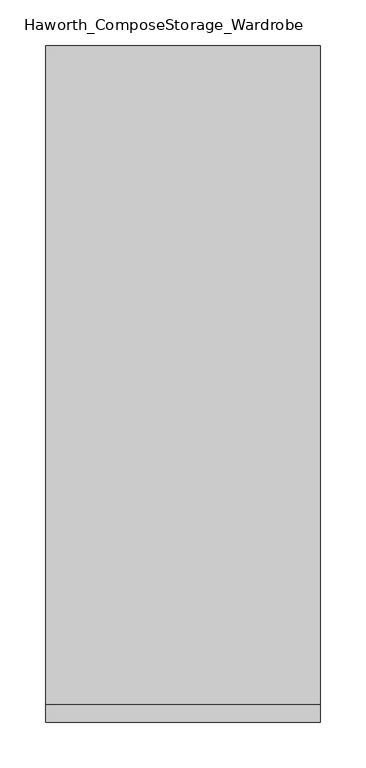
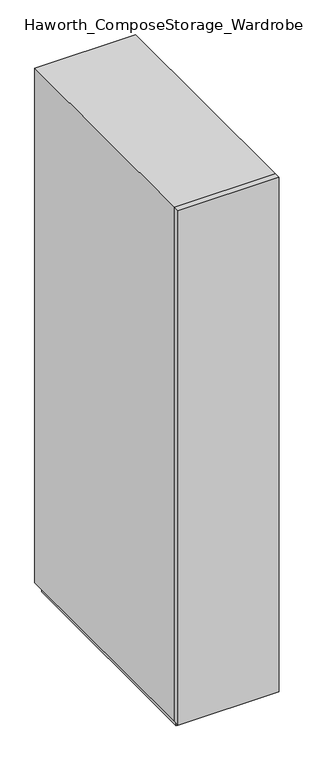
"""IFC4 building model written with IfcOpenShell, lengths in millimetres: furniture geometry, Haworth_ComposeStorage_Wardrobe."""

from ifc_helpers import new_model, si_unit, frame, origin, origin_with_axes, place, context, project, spatial, polyline, outline, extrude, faceted_brep, source, transform, mapped, element, save


def haworth_composestorage_wardrobe_853867c1(model_context):
    return source(origin(), model_context, "Body", "SolidModel", [
        extrude(outline(polyline([(150.8263906, -381.0), (-150.7986094, -381.0), (-150.7986094, -361.95), (150.8263906, -361.95), (150.8263906, -381.0)])), frame((0.0, 0.0, 25.4), z_axis=(0.0, 0.0, 1.0), x_axis=(1.0, 0.0, 0.0)), (0.0, 0.0, 1.0), 1625.6),
        faceted_brep([(-150.7986094, -361.95, 25.4), (150.8263906, -361.95, 25.4), (150.8263906, -361.95, 1651.0), (-150.7986094, -361.95, 1651.0), (-131.7486094, -361.95, 44.45), (-131.7486094, -361.95, 1631.95), (131.7486094, -361.95, 1631.95), (131.7486094, -361.95, 44.45), (-150.7986094, 361.95, 25.4), (-150.7986094, 361.95, 1651.0), (150.8263906, 361.95, 1651.0), (150.8263906, 361.95, 25.4), (-131.7486094, 342.9, 44.45), (-131.7486094, 342.9, 1631.95), (131.7486094, 342.9, 1631.95), (131.7486094, 342.9, 44.45)], [[[0, 1, 2, 3], [4, 5, 6, 7]], [[8, 9, 10, 11]], [[1, 0, 8, 11]], [[2, 1, 11, 10]], [[3, 2, 10, 9]], [[0, 3, 9, 8]], [[5, 4, 12, 13]], [[6, 5, 13, 14]], [[7, 6, 14, 15]], [[4, 7, 15, 12]], [[13, 12, 15, 14]]]),
        extrude(outline(polyline([(138.1263906, -349.25), (-138.0986094, -349.25), (-138.0986094, 349.25), (138.1263906, 349.25), (138.1263906, -349.25)])), origin_with_axes(), (0.0, 0.0, 1.0), 25.4),
    ])


if __name__ == "__main__":
    model = new_model("IFC4")
    model_context = context("Model", 3, world=origin())
    ifc_project = project(units=[si_unit("LENGTHUNIT", "METRE", prefix="MILLI")], contexts=[model_context])
    site = spatial("IfcSite", under=ifc_project)
    building = spatial("IfcBuilding", under=site)
    placement = place(None, origin())
    haworth_composestorage_wardrobe_shape = haworth_composestorage_wardrobe_853867c1(model_context)
    element("IfcFurniture", 1, ObjectType="Haworth_ComposeStorage_Wardrobe", at=placement, inside=building, context=model_context, shape_type="MappedRepresentation", body=[
        mapped(haworth_composestorage_wardrobe_shape, transform((0.0, 0.0, 0.0), x_axis=(1.0, 0.0, 0.0), y_axis=(0.0, 1.0, 0.0), z_axis=(0.0, 0.0, 1.0))),
    ])
    save(model, "model.ifc")
